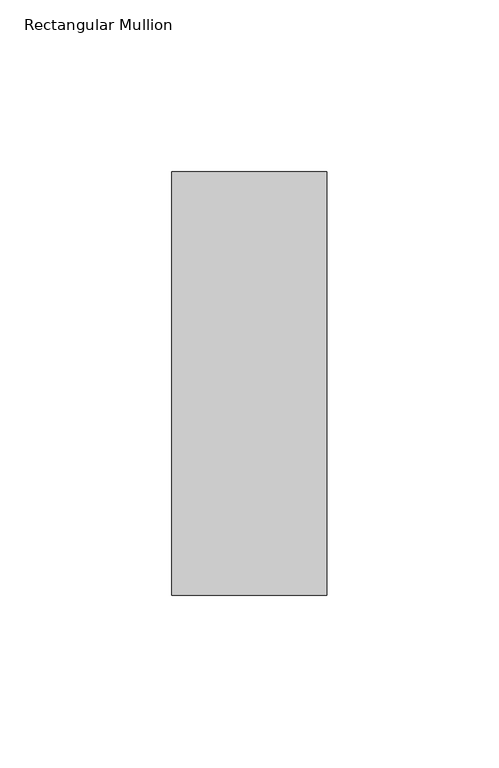
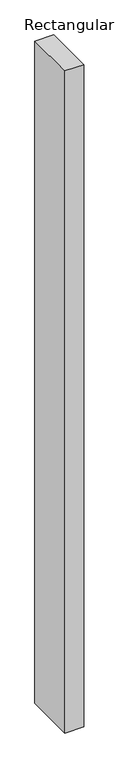
"""IFC4 building model written with IfcOpenShell, lengths in millimetres: member geometry, Rectangular Mullion."""

import ifcopenshell
import ifcopenshell.guid

model = None  # the IFC model being written
_history = None  # IfcOwnerHistory: only IFC2X3 demands one
_inside = {}  # id of a spatial element -> (the spatial element, [elements in it])
_under = {}  # id of a project, library or spatial element -> (it, [spatial elements below it])
_declared = {}  # id of a project -> (the project, [libraries it declares])
_typed = {}  # id of a type object -> (the type object, [elements of that type])
_made_of = {}  # id of a material, layer set ... -> (it, [elements and type objects made of it])


def new_model(schema):
    """Start an empty IFC model of exactly this schema.

    Asked for "IFC4X3", IfcOpenShell would pick the latest addendum, in which some entities
    have other attributes; the version numbers below select the first issue.
    IFC2X3 requires an IfcOwnerHistory on every rooted entity: one is made here for all.
    """
    global model, _history
    if schema == "IFC4X3":
        model = ifcopenshell.file(schema_version=(4, 3, 0, 0))
    else:
        model = ifcopenshell.file(schema=schema)
    _inside.clear()
    _under.clear()
    _declared.clear()
    _typed.clear()
    _made_of.clear()
    _history = None
    if model.schema == "IFC2X3":
        org = make("IfcOrganization", Name="unknown")
        user = make(
            "IfcPersonAndOrganization",
            ThePerson=make("IfcPerson", FamilyName="unknown"),
            TheOrganization=org,
        )
        app = make(
            "IfcApplication",
            ApplicationDeveloper=org,
            Version="unknown",
            ApplicationFullName="unknown",
            ApplicationIdentifier="unknown",
        )
        _history = make(
            "IfcOwnerHistory",
            OwningUser=user,
            OwningApplication=app,
            ChangeAction="ADDED",
            CreationDate=0,
        )
    return model


def make(cls, **values):
    """One entity of the class cls with the attributes given. An attribute that is None is left unset."""
    return model.create_entity(
        cls, **{name: value for name, value in values.items() if value is not None}
    )


def rooted(cls, **values):
    """An entity with a GlobalId (a new one), such as an element, a storey or a relation."""
    return make(cls, GlobalId=ifcopenshell.guid.new(), OwnerHistory=_history, **values)


def si_unit(unit_type, name, prefix=None):
    """IfcSIUnit, for example si_unit("LENGTHUNIT", "METRE", prefix="MILLI")."""
    return make("IfcSIUnit", UnitType=unit_type, Prefix=prefix, Name=name)


def assignment(units):
    """IfcUnitAssignment: the units of a project."""
    return None if units is None else make("IfcUnitAssignment", Units=units)


def point(xyz):
    """IfcCartesianPoint."""
    return None if xyz is None else make("IfcCartesianPoint", Coordinates=xyz)


def direction(xyz):
    """IfcDirection."""
    return None if xyz is None else make("IfcDirection", DirectionRatios=xyz)


def frame(location, z_axis=None, x_axis=None):
    """IfcAxis2Placement3D, a coordinate frame: its origin and axes. An axis left out is left unset."""
    return make(
        "IfcAxis2Placement3D",
        Location=point(location),
        Axis=direction(z_axis),
        RefDirection=direction(x_axis),
    )


def origin():
    """The frame at (0, 0, 0) with its axes left unset."""
    return frame((0.0, 0.0, 0.0))


def place(relative_to, where):
    """IfcLocalPlacement: puts the frame where relative to a parent placement (None: the world)."""
    return make(
        "IfcLocalPlacement", PlacementRelTo=relative_to, RelativePlacement=where
    )


def context(
    kind, dimensions, precision=None, world=None, true_north=None, identifier=None
):
    """IfcGeometricRepresentationContext, for example the 3D "Model" context."""
    return make(
        "IfcGeometricRepresentationContext",
        ContextIdentifier=identifier,
        ContextType=kind,
        CoordinateSpaceDimension=dimensions,
        Precision=precision,
        WorldCoordinateSystem=world,
        TrueNorth=true_north,
    )


def project(units=None, contexts=None):
    """IfcProject with its units and contexts."""
    return rooted(
        "IfcProject",
        Name="project",
        RepresentationContexts=contexts,
        UnitsInContext=assignment(units),
    )


def spatial(cls, under=None, at=None, **own):
    """A site, building, storey or space (cls), placed at a placement, below another one or the project."""
    s = rooted(cls, ObjectPlacement=at, **own)
    if under is not None:
        _under.setdefault(under.id(), (under, []))[1].append(s)
    return s


def polyline(points):
    """IfcPolyline through the points."""
    return make("IfcPolyline", Points=[point(p) for p in points])


def outline(outer, holes=None, kind="AREA"):
    """IfcArbitraryClosedProfileDef: a profile drawn as a closed curve; with holes, ...WithVoids."""
    if holes is None:
        return make("IfcArbitraryClosedProfileDef", ProfileType=kind, OuterCurve=outer)
    return make(
        "IfcArbitraryProfileDefWithVoids",
        ProfileType=kind,
        OuterCurve=outer,
        InnerCurves=holes,
    )


def extrude(swept, where, along, depth):
    """IfcExtrudedAreaSolid: the profile swept, set in the frame where, extruded along a direction by depth."""
    return make(
        "IfcExtrudedAreaSolid",
        SweptArea=swept,
        Position=where,
        ExtrudedDirection=direction(along),
        Depth=depth,
    )


def shape(context_of_items, identifier, shape_type, items):
    """IfcShapeRepresentation: the items that make up one representation, for example the "Body"."""
    return make(
        "IfcShapeRepresentation",
        ContextOfItems=context_of_items,
        RepresentationIdentifier=identifier,
        RepresentationType=shape_type,
        Items=items,
    )


def source(mapping_origin, context_of_items, identifier, shape_type, items):
    """IfcRepresentationMap: a shape defined once, which mapped items show again and again."""
    return make(
        "IfcRepresentationMap",
        MappingOrigin=mapping_origin,
        MappedRepresentation=shape(context_of_items, identifier, shape_type, items),
    )


def transform(
    local_origin,
    x_axis=None,
    y_axis=None,
    z_axis=None,
    scale=None,
    scale2=None,
    scale3=None,
    uniform=True,
):
    """IfcCartesianTransformationOperator3D, or its non-uniform kind. x_axis, y_axis, z_axis: its Axis1, 2, 3."""
    if uniform:
        return make(
            "IfcCartesianTransformationOperator3D",
            Axis1=direction(x_axis),
            Axis2=direction(y_axis),
            LocalOrigin=point(local_origin),
            Scale=scale,
            Axis3=direction(z_axis),
        )
    return make(
        "IfcCartesianTransformationOperator3DnonUniform",
        Axis1=direction(x_axis),
        Axis2=direction(y_axis),
        LocalOrigin=point(local_origin),
        Scale=scale,
        Axis3=direction(z_axis),
        Scale2=scale2,
        Scale3=scale3,
    )


def mapped(mapping_source, mapping_target):
    """IfcMappedItem: shows the shape of a source again, moved by a transform."""
    return make(
        "IfcMappedItem", MappingSource=mapping_source, MappingTarget=mapping_target
    )


def made_of(thing, what):
    """Note that an element or type object is made of a material, layer set ...; save() writes the relation."""
    if what is not None:
        _made_of.setdefault(what.id(), (what, []))[1].append(thing)
    return thing


def element(
    cls,
    number,
    at=None,
    inside=None,
    cuts=None,
    type_object=None,
    material=None,
    context=None,
    identifier="Body",
    shape_type=None,
    held_by="IfcProductDefinitionShape",
    body=None,
    shapes=None,
    **own,
):
    """One element of the class cls, such as IfcWall. Its Tag is "e" and its number.

    at: its placement. inside: the storey or other place that contains it. cuts: it is an
    opening in that element (IfcRelVoidsElement). A single representation is given by context,
    identifier, shape_type and body (its items); several are given by shapes. held_by: the class
    of the entity that holds the representations. save() writes the other relations.
    """
    e = rooted(cls, Tag="e%d" % number, ObjectPlacement=at, **own)
    if body is not None:
        shapes = [shape(context, identifier, shape_type, body)]
    if shapes is not None:
        e.Representation = make(held_by, Representations=shapes)
    if inside is not None:
        _inside.setdefault(inside.id(), (inside, []))[1].append(e)
    if cuts is not None:
        rooted(
            "IfcRelVoidsElement", RelatingBuildingElement=cuts, RelatedOpeningElement=e
        )
    if type_object is not None:
        _typed.setdefault(type_object.id(), (type_object, []))[1].append(e)
    return made_of(e, material)


def aggregate(whole, parts):
    """IfcRelAggregates: a whole, such as a stair, and the parts it consists of."""
    return rooted("IfcRelAggregates", RelatingObject=whole, RelatedObjects=parts)


def save(model, path):
    """Write the relations noted so far, then the file.

    IfcRelAggregates (storeys below a building ...), IfcRelContainedInSpatialStructure (elements
    in a storey), IfcRelDefinesByType, IfcRelAssociatesMaterial and IfcRelDeclares: one each for
    every whole, place, type object, material and project.
    """
    for whole, parts in _under.values():
        aggregate(whole, parts)
    for where, things in _inside.values():
        rooted(
            "IfcRelContainedInSpatialStructure",
            RelatedElements=things,
            RelatingStructure=where,
        )
    for kind, things in _typed.values():
        rooted("IfcRelDefinesByType", RelatedObjects=things, RelatingType=kind)
    for what, things in _made_of.values():
        rooted("IfcRelAssociatesMaterial", RelatedObjects=things, RelatingMaterial=what)
    for by, libraries in _declared.values():
        rooted("IfcRelDeclares", RelatingContext=by, RelatedDefinitions=libraries)
    model.write(path)


def rectangular_mullion_135b1025(model_context):
    return source(origin(), model_context, "Body", "SweptSolid", [
        extrude(outline(polyline([(0.0, 77.05), (0.0, -46.05), (-45.0, -46.05), (-45.0, 77.05), (0.0, 77.05)])), frame((0.0, 0.0, -1660.8004863), z_axis=(0.0, 0.0, 1.0), x_axis=(1.0, 0.0, 0.0)), (0.0, 0.0, 1.0), 1660.8004863),
    ])


if __name__ == "__main__":
    model = new_model("IFC4")
    model_context = context("Model", 3, world=origin())
    ifc_project = project(units=[si_unit("LENGTHUNIT", "METRE", prefix="MILLI")], contexts=[model_context])
    site = spatial("IfcSite", under=ifc_project)
    building = spatial("IfcBuilding", under=site)
    placement = place(None, origin())
    rectangular_mullion_shape = rectangular_mullion_135b1025(model_context)
    element("IfcMember", 1, ObjectType="Rectangular Mullion", at=placement, inside=building, context=model_context, shape_type="MappedRepresentation", body=[
        mapped(rectangular_mullion_shape, transform((0.0, 0.0, 0.0), x_axis=(1.0, 0.0, 0.0), y_axis=(0.0, 1.0, 0.0), z_axis=(0.0, 0.0, 1.0))),
    ])
    save(model, "model.ifc")
